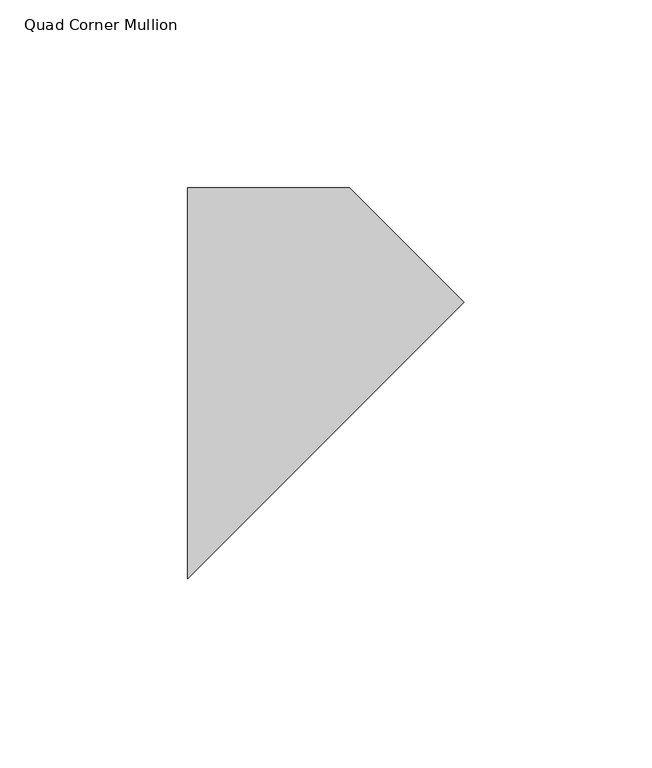
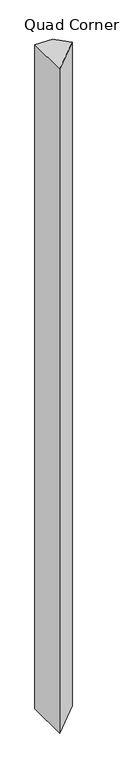
"""IFC4 building model written with IfcOpenShell, lengths in millimetres: member geometry, Quad Corner Mullion."""

import ifcopenshell
import ifcopenshell.guid

model = None  # the IFC model being written
_history = None  # IfcOwnerHistory: only IFC2X3 demands one
_inside = {}  # id of a spatial element -> (the spatial element, [elements in it])
_under = {}  # id of a project, library or spatial element -> (it, [spatial elements below it])
_declared = {}  # id of a project -> (the project, [libraries it declares])
_typed = {}  # id of a type object -> (the type object, [elements of that type])
_made_of = {}  # id of a material, layer set ... -> (it, [elements and type objects made of it])


def new_model(schema):
    """Start an empty IFC model of exactly this schema.

    Asked for "IFC4X3", IfcOpenShell would pick the latest addendum, in which some entities
    have other attributes; the version numbers below select the first issue.
    IFC2X3 requires an IfcOwnerHistory on every rooted entity: one is made here for all.
    """
    global model, _history
    if schema == "IFC4X3":
        model = ifcopenshell.file(schema_version=(4, 3, 0, 0))
    else:
        model = ifcopenshell.file(schema=schema)
    _inside.clear()
    _under.clear()
    _declared.clear()
    _typed.clear()
    _made_of.clear()
    _history = None
    if model.schema == "IFC2X3":
        org = make("IfcOrganization", Name="unknown")
        user = make(
            "IfcPersonAndOrganization",
            ThePerson=make("IfcPerson", FamilyName="unknown"),
            TheOrganization=org,
        )
        app = make(
            "IfcApplication",
            ApplicationDeveloper=org,
            Version="unknown",
            ApplicationFullName="unknown",
            ApplicationIdentifier="unknown",
        )
        _history = make(
            "IfcOwnerHistory",
            OwningUser=user,
            OwningApplication=app,
            ChangeAction="ADDED",
            CreationDate=0,
        )
    return model


def make(cls, **values):
    """One entity of the class cls with the attributes given. An attribute that is None is left unset."""
    return model.create_entity(
        cls, **{name: value for name, value in values.items() if value is not None}
    )


def rooted(cls, **values):
    """An entity with a GlobalId (a new one), such as an element, a storey or a relation."""
    return make(cls, GlobalId=ifcopenshell.guid.new(), OwnerHistory=_history, **values)


def si_unit(unit_type, name, prefix=None):
    """IfcSIUnit, for example si_unit("LENGTHUNIT", "METRE", prefix="MILLI")."""
    return make("IfcSIUnit", UnitType=unit_type, Prefix=prefix, Name=name)


def assignment(units):
    """IfcUnitAssignment: the units of a project."""
    return None if units is None else make("IfcUnitAssignment", Units=units)


def point(xyz):
    """IfcCartesianPoint."""
    return None if xyz is None else make("IfcCartesianPoint", Coordinates=xyz)


def direction(xyz):
    """IfcDirection."""
    return None if xyz is None else make("IfcDirection", DirectionRatios=xyz)


def frame(location, z_axis=None, x_axis=None):
    """IfcAxis2Placement3D, a coordinate frame: its origin and axes. An axis left out is left unset."""
    return make(
        "IfcAxis2Placement3D",
        Location=point(location),
        Axis=direction(z_axis),
        RefDirection=direction(x_axis),
    )


def origin():
    """The frame at (0, 0, 0) with its axes left unset."""
    return frame((0.0, 0.0, 0.0))


def place(relative_to, where):
    """IfcLocalPlacement: puts the frame where relative to a parent placement (None: the world)."""
    return make(
        "IfcLocalPlacement", PlacementRelTo=relative_to, RelativePlacement=where
    )


def context(
    kind, dimensions, precision=None, world=None, true_north=None, identifier=None
):
    """IfcGeometricRepresentationContext, for example the 3D "Model" context."""
    return make(
        "IfcGeometricRepresentationContext",
        ContextIdentifier=identifier,
        ContextType=kind,
        CoordinateSpaceDimension=dimensions,
        Precision=precision,
        WorldCoordinateSystem=world,
        TrueNorth=true_north,
    )


def project(units=None, contexts=None):
    """IfcProject with its units and contexts."""
    return rooted(
        "IfcProject",
        Name="project",
        RepresentationContexts=contexts,
        UnitsInContext=assignment(units),
    )


def spatial(cls, under=None, at=None, **own):
    """A site, building, storey or space (cls), placed at a placement, below another one or the project."""
    s = rooted(cls, ObjectPlacement=at, **own)
    if under is not None:
        _under.setdefault(under.id(), (under, []))[1].append(s)
    return s


def polyline(points):
    """IfcPolyline through the points."""
    return make("IfcPolyline", Points=[point(p) for p in points])


def outline(outer, holes=None, kind="AREA"):
    """IfcArbitraryClosedProfileDef: a profile drawn as a closed curve; with holes, ...WithVoids."""
    if holes is None:
        return make("IfcArbitraryClosedProfileDef", ProfileType=kind, OuterCurve=outer)
    return make(
        "IfcArbitraryProfileDefWithVoids",
        ProfileType=kind,
        OuterCurve=outer,
        InnerCurves=holes,
    )


def extrude(swept, where, along, depth):
    """IfcExtrudedAreaSolid: the profile swept, set in the frame where, extruded along a direction by depth."""
    return make(
        "IfcExtrudedAreaSolid",
        SweptArea=swept,
        Position=where,
        ExtrudedDirection=direction(along),
        Depth=depth,
    )


def shape(context_of_items, identifier, shape_type, items):
    """IfcShapeRepresentation: the items that make up one representation, for example the "Body"."""
    return make(
        "IfcShapeRepresentation",
        ContextOfItems=context_of_items,
        RepresentationIdentifier=identifier,
        RepresentationType=shape_type,
        Items=items,
    )


def source(mapping_origin, context_of_items, identifier, shape_type, items):
    """IfcRepresentationMap: a shape defined once, which mapped items show again and again."""
    return make(
        "IfcRepresentationMap",
        MappingOrigin=mapping_origin,
        MappedRepresentation=shape(context_of_items, identifier, shape_type, items),
    )


def transform(
    local_origin,
    x_axis=None,
    y_axis=None,
    z_axis=None,
    scale=None,
    scale2=None,
    scale3=None,
    uniform=True,
):
    """IfcCartesianTransformationOperator3D, or its non-uniform kind. x_axis, y_axis, z_axis: its Axis1, 2, 3."""
    if uniform:
        return make(
            "IfcCartesianTransformationOperator3D",
            Axis1=direction(x_axis),
            Axis2=direction(y_axis),
            LocalOrigin=point(local_origin),
            Scale=scale,
            Axis3=direction(z_axis),
        )
    return make(
        "IfcCartesianTransformationOperator3DnonUniform",
        Axis1=direction(x_axis),
        Axis2=direction(y_axis),
        LocalOrigin=point(local_origin),
        Scale=scale,
        Axis3=direction(z_axis),
        Scale2=scale2,
        Scale3=scale3,
    )


def mapped(mapping_source, mapping_target):
    """IfcMappedItem: shows the shape of a source again, moved by a transform."""
    return make(
        "IfcMappedItem", MappingSource=mapping_source, MappingTarget=mapping_target
    )


def made_of(thing, what):
    """Note that an element or type object is made of a material, layer set ...; save() writes the relation."""
    if what is not None:
        _made_of.setdefault(what.id(), (what, []))[1].append(thing)
    return thing


def element(
    cls,
    number,
    at=None,
    inside=None,
    cuts=None,
    type_object=None,
    material=None,
    context=None,
    identifier="Body",
    shape_type=None,
    held_by="IfcProductDefinitionShape",
    body=None,
    shapes=None,
    **own,
):
    """One element of the class cls, such as IfcWall. Its Tag is "e" and its number.

    at: its placement. inside: the storey or other place that contains it. cuts: it is an
    opening in that element (IfcRelVoidsElement). A single representation is given by context,
    identifier, shape_type and body (its items); several are given by shapes. held_by: the class
    of the entity that holds the representations. save() writes the other relations.
    """
    e = rooted(cls, Tag="e%d" % number, ObjectPlacement=at, **own)
    if body is not None:
        shapes = [shape(context, identifier, shape_type, body)]
    if shapes is not None:
        e.Representation = make(held_by, Representations=shapes)
    if inside is not None:
        _inside.setdefault(inside.id(), (inside, []))[1].append(e)
    if cuts is not None:
        rooted(
            "IfcRelVoidsElement", RelatingBuildingElement=cuts, RelatedOpeningElement=e
        )
    if type_object is not None:
        _typed.setdefault(type_object.id(), (type_object, []))[1].append(e)
    return made_of(e, material)


def aggregate(whole, parts):
    """IfcRelAggregates: a whole, such as a stair, and the parts it consists of."""
    return rooted("IfcRelAggregates", RelatingObject=whole, RelatedObjects=parts)


def save(model, path):
    """Write the relations noted so far, then the file.

    IfcRelAggregates (storeys below a building ...), IfcRelContainedInSpatialStructure (elements
    in a storey), IfcRelDefinesByType, IfcRelAssociatesMaterial and IfcRelDeclares: one each for
    every whole, place, type object, material and project.
    """
    for whole, parts in _under.values():
        aggregate(whole, parts)
    for where, things in _inside.values():
        rooted(
            "IfcRelContainedInSpatialStructure",
            RelatedElements=things,
            RelatingStructure=where,
        )
    for kind, things in _typed.values():
        rooted("IfcRelDefinesByType", RelatedObjects=things, RelatingType=kind)
    for what, things in _made_of.values():
        rooted("IfcRelAssociatesMaterial", RelatedObjects=things, RelatingMaterial=what)
    for by, libraries in _declared.values():
        rooted("IfcRelDeclares", RelatingContext=by, RelatedDefinitions=libraries)
    model.write(path)


def quad_corner_mullion_36b1ca0c(model_context):
    return source(origin(), model_context, "Body", "SweptSolid", [
        extrude(outline(polyline([(58.4514837, 37.0338959), (-15.1445216, -36.5621094), (-15.1445216, 67.5183594), (27.9670202, 67.5183594), (58.4514837, 37.0338959)])), frame((0.0, 0.0, -1708.8912252), z_axis=(0.0, 0.0, 1.0), x_axis=(1.0, 0.0, 0.0)), (0.0, 0.0, 1.0), 1708.8912252),
    ])


if __name__ == "__main__":
    model = new_model("IFC4")
    model_context = context("Model", 3, world=origin())
    ifc_project = project(units=[si_unit("LENGTHUNIT", "METRE", prefix="MILLI")], contexts=[model_context])
    site = spatial("IfcSite", under=ifc_project)
    building = spatial("IfcBuilding", under=site)
    placement = place(None, origin())
    quad_corner_mullion_shape = quad_corner_mullion_36b1ca0c(model_context)
    element("IfcMember", 1, ObjectType="Quad Corner Mullion", at=placement, inside=building, context=model_context, shape_type="MappedRepresentation", body=[
        mapped(quad_corner_mullion_shape, transform((0.0, 0.0, 0.0), x_axis=(1.0, 0.0, 0.0), y_axis=(0.0, 1.0, 0.0), z_axis=(0.0, 0.0, 1.0))),
    ])
    save(model, "model.ifc")
